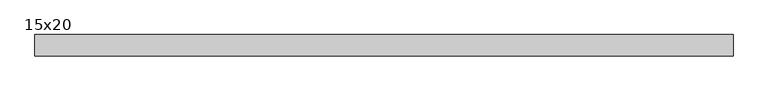
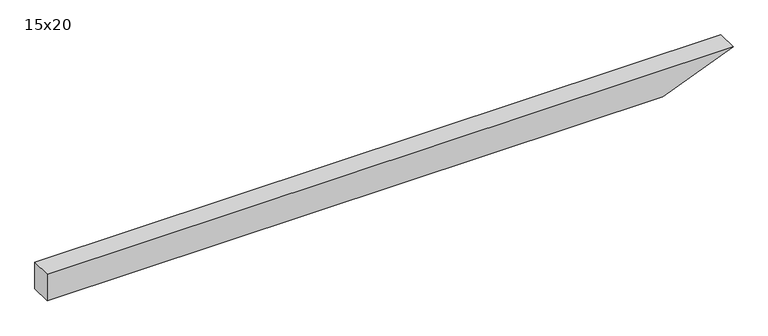
"""IFC4 building model written with IfcOpenShell, lengths in millimetres: beam geometry, 15x20."""

from ifc_helpers import new_model, si_unit, frame, origin, place, context, project, spatial, polyline, outline, extrude, source, transform, mapped, element, save


def beam_15x20_4cc08eee(model_context):
    return source(origin(), model_context, "Body", "SweptSolid", [
        extrude(outline(polyline([(100.0, -2319.0), (-100.0, -2319.0), (-100.0, 2062.8), (100.0, 2565.0), (100.0, -2319.0)])), frame((0.0, -75.0, 0.0), z_axis=(0.0, 1.0, 0.0), x_axis=(0.0, 0.0, 1.0)), (0.0, 0.0, 1.0), 150.0),
    ])


if __name__ == "__main__":
    model = new_model("IFC4")
    model_context = context("Model", 3, world=origin())
    ifc_project = project(units=[si_unit("LENGTHUNIT", "METRE", prefix="MILLI")], contexts=[model_context])
    site = spatial("IfcSite", under=ifc_project)
    building = spatial("IfcBuilding", under=site)
    placement = place(None, origin())
    beam_15x20_shape = beam_15x20_4cc08eee(model_context)
    element("IfcBeam", 1, ObjectType="15x20", at=placement, inside=building, context=model_context, shape_type="MappedRepresentation", body=[
        mapped(beam_15x20_shape, transform((0.0, 0.0, 0.0), x_axis=(1.0, 0.0, 0.0), y_axis=(0.0, 1.0, 0.0), z_axis=(0.0, 0.0, 1.0))),
    ])
    save(model, "model.ifc")
